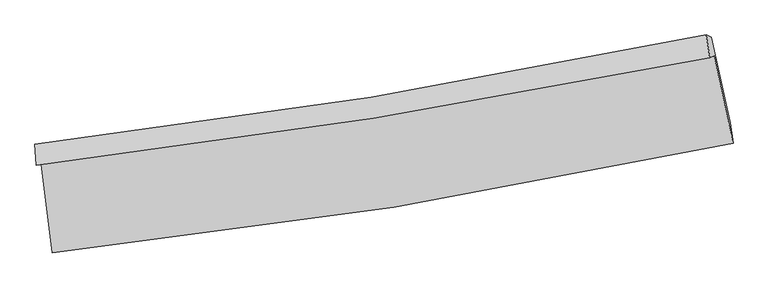
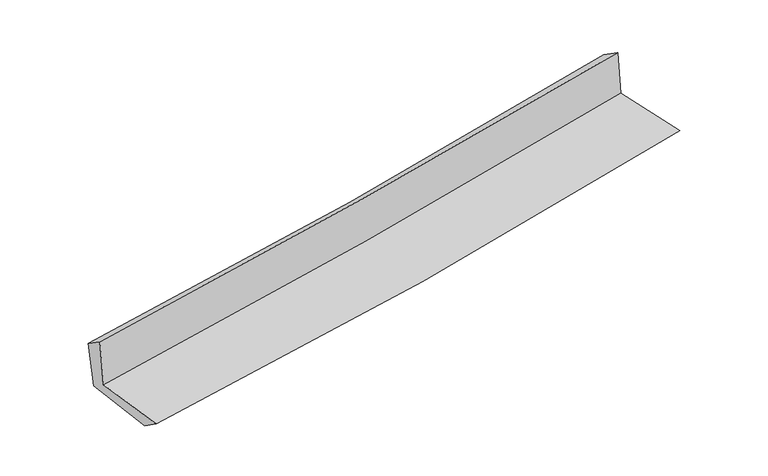
"""IFC4 building model written with IfcOpenShell, lengths in millimetres: proxy geometry."""

from ifc_helpers import new_model, si_unit, frame, origin, place, context, project, spatial, source, transform, mapped, element, save
from ifc_brep_helpers import plane_surface, spline_curve, spline_surface, advanced_brep


def generic_models_ca1ffe5c(model_context):
    return source(origin(), model_context, "Body", "AdvancedBrep", [
        advanced_brep(
        [(-2520.8800695, -1887.595224, 1644.0676046), (-2437.5306478, -2544.1043899, 1650.6400715), (2609.2420443, -1732.9257586, 2110.5587312), (2468.6463411, -1082.3278108, 2109.6407914), (-2556.7879174, -1894.8404754, 2060.8646758), (2436.3249511, -1098.2895109, 2507.6769787), (-2567.3537919, -1739.7126337, 1956.0131238), (2410.0480394, -929.2389983, 2393.3299864), (-2529.9095723, -1759.073659, 1560.3201878), (2447.8770248, -947.3500413, 2015.9887726), (-2447.7409838, -2388.9175709, 1541.6800982), (2586.4334647, -1582.2298997, 2001.7804535)],
        [
            (0, 1),
            (1, 2, spline_curve(3, [(-2437.5306478, -2544.1043899, 1650.6400715), (-1590.896804008, -2453.023977847, 1725.69398671), (-747.861782757, -2340.067247395, 1801.468243748), (934.425117853, -2069.852700902, 1954.768591613), (1773.647660658, -1912.41655429, 2032.300554626), (2609.2420443, -1732.9257586, 2110.5587312)], [4, 2, 4], [0.0, 8.358204911333248, 16.750407780570868])),
            (2, 3),
            (3, 0, spline_curve(3, [(2468.6463411, -1082.3278108, 2109.6407914), (1640.311595064, -1252.105157301, 2040.040537497), (809.501412117, -1404.199833835, 1966.355624432), (-853.694073872, -1672.479325203, 1811.13153411), (-1686.059361206, -1788.807119716, 1729.625385136), (-2520.8800695, -1887.595224, 1644.0676046)], [4, 2, 4], [0.0, 8.39220286923762, 16.750407780570868])),
            (4, 0),
            (3, 5),
            (5, 4, spline_curve(3, [(2436.3249511, -1098.2895109, 2507.6769787), (1606.737515705, -1263.478171677, 2441.004176726), (775.002173457, -1412.553839733, 2370.349778364), (-889.386150533, -1677.940540543, 2221.380149226), (-1722.021764457, -1794.381860646, 2143.097113362), (-2556.7879174, -1894.8404754, 2060.8646758)], [4, 2, 4], [0.0, 8.345270530408024, 16.656733232214407])),
            (6, 4),
            (5, 7),
            (7, 6, spline_curve(3, [(2410.0480394, -929.2389983, 2393.3299864), (1584.555411874, -1101.93034997, 2324.368402782), (756.177891111, -1255.914686505, 2253.36643822), (-902.979379349, -1525.921302424, 2107.577652677), (-1733.735802482, -1642.09484447, 2032.807329315), (-2567.3537919, -1739.7126337, 1956.0131238)], [4, 2, 4], [0.0, 8.334170706771031, 16.634578551839176])),
            (8, 6),
            (7, 9),
            (9, 8, spline_curve(3, [(2447.8770248, -947.3500413, 2015.9887726), (1622.280136796, -1120.232925535, 1944.576530971), (793.818397584, -1274.417422747, 1870.816200104), (-865.466966233, -1544.840769153, 1718.907685681), (-1696.267426056, -1661.230811635, 1640.778488064), (-2529.9095723, -1759.073659, 1560.3201878)], [4, 2, 4], [0.0, 8.324712879978483, 16.61570121319977])),
            (10, 8),
            (9, 11),
            (11, 10, spline_curve(3, [(2586.4334647, -1582.2298997, 2001.7804535), (1751.610876083, -1756.559445787, 1929.560905949), (913.827567399, -1911.044438125, 1855.02692632), (-764.254522321, -2179.779868104, 1701.64142727), (-1604.529362728, -2294.190766399, 1622.808621501), (-2447.7409838, -2388.9175709, 1541.6800982)], [4, 2, 4], [0.0, 8.371930236416425, 16.709944642127738])),
            (1, 10),
            (11, 2),
        ],
        [
            spline_surface(3, 3, [[(-2520.8800695, -1887.595224, 1644.0676046), (-1686.059361272, -1788.807119812, 1729.625385095), (-853.694073991, -1672.479325248, 1811.131534147), (809.501412237, -1404.19983379, 1966.355624394), (1640.311595178, -1252.105157293, 2040.040537625), (2468.6463411, -1082.3278108, 2109.6407914)], [(-2493.096928936, -2106.431612614, 1646.258426886), (-1654.338508891, -2010.212739103, 1728.314918981), (-818.416643607, -1895.008632606, 1807.91043735), (851.142647485, -1626.084122881, 1962.493280136), (1684.75695037, -1472.208956311, 2037.460543273), (2515.511575505, -1299.193793398, 2109.946771354)], [(-2465.313788364, -2325.268001286, 1648.449249214), (-1622.617656504, -2231.618358452, 1727.004452911), (-783.139213246, -2117.53793992, 1804.689340545), (892.78388271, -1847.968411928, 1958.630935871), (1729.202305547, -1692.312755336, 2034.880548858), (2562.376809895, -1516.059776002, 2110.252751246)], [(-2437.5306478, -2544.1043899, 1650.6400715), (-1590.896804123, -2453.023977744, 1725.693986797), (-747.861782862, -2340.067247279, 1801.468243748), (934.425117958, -2069.852701019, 1954.768591612), (1773.647660738, -1912.416554355, 2032.300554506), (2609.2420443, -1732.9257586, 2110.5587312)]], [4, 4], [4, 2, 4], [0.0, 2.2198741711192014], [0.0, 8.358204911333248, 16.750407780570868]),
            spline_surface(3, 3, [[(-2556.7879174, -1894.8404754, 2060.8646758), (-1722.02176432, -1794.381860644, 2143.097113393), (-889.386150451, -1677.940540507, 2221.380149332), (775.002173374, -1412.553839769, 2370.349778258), (1606.737515709, -1263.478171719, 2441.004176635), (2436.3249511, -1098.2895109, 2507.6769787)], [(-2544.818634766, -1892.425391616, 1921.932318728), (-1710.034296637, -1792.523613715, 2005.273203955), (-877.48879162, -1676.120135399, 2084.630610941), (786.501919673, -1409.769171088, 2235.685060308), (1617.928875539, -1259.687166912, 2307.349630293), (2447.098747774, -1092.968944202, 2374.998249594)], [(-2532.849352134, -1890.010307784, 1782.999961672), (-1698.046828955, -1790.66536674, 1867.449294533), (-865.591432822, -1674.299730356, 1947.881072537), (798.001665939, -1406.984502471, 2101.020342344), (1629.120235348, -1255.896162099, 2173.695083968), (2457.872544426, -1087.648377498, 2242.319520506)], [(-2520.8800695, -1887.595224, 1644.0676046), (-1686.059361272, -1788.807119812, 1729.625385095), (-853.694073991, -1672.479325248, 1811.131534147), (809.501412237, -1404.19983379, 1966.355624394), (1640.311595178, -1252.105157293, 2040.040537625), (2468.6463411, -1082.3278108, 2109.6407914)]], [4, 4], [4, 2, 4], [0.0, 1.3408035152400797], [0.0, 8.311462701806382, 16.656733232214407]),
            spline_surface(3, 3, [[(-2567.3537919, -1739.7126337, 1956.0131238), (-1733.735802441, -1642.094844499, 2032.807329434), (-902.979379437, -1525.921302541, 2107.57765256), (756.177891199, -1255.914686388, 2253.366438338), (1584.555411914, -1101.930349896, 2324.368402727), (2410.0480394, -929.2389983, 2393.3299864)], [(-2563.831833712, -1791.421914271, 1990.963641141), (-1729.831123045, -1692.857183219, 2069.570590762), (-898.448303119, -1576.594381873, 2145.511818136), (762.452651914, -1308.127737526, 2292.360884963), (1591.949446493, -1155.779623861, 2363.246994021), (2418.807009947, -985.58916919, 2431.445650491)], [(-2560.309875588, -1843.131194829, 2025.914158459), (-1725.926443715, -1743.619521924, 2106.333852065), (-893.917226769, -1627.267461174, 2183.445983756), (768.72741266, -1360.340788632, 2331.355331633), (1599.34348113, -1209.628897755, 2402.125585342), (2427.565980553, -1041.93934001, 2469.561314609)], [(-2556.7879174, -1894.8404754, 2060.8646758), (-1722.02176432, -1794.381860644, 2143.097113393), (-889.386150451, -1677.940540507, 2221.380149332), (775.002173374, -1412.553839769, 2370.349778258), (1606.737515709, -1263.478171719, 2441.004176635), (2436.3249511, -1098.2895109, 2507.6769787)]], [4, 4], [4, 2, 4], [0.0, 0.6344883386694012], [0.0, 8.300407845068145, 16.634578551839176]),
            spline_surface(3, 3, [[(-2529.9095723, -1759.073659, 1560.3201878), (-1696.267425982, -1661.230811511, 1640.778488167), (-865.466966241, -1544.840769287, 1718.907685586), (793.818397591, -1274.417422612, 1870.816200199), (1622.280136865, -1120.232925604, 1944.576531), (2447.8770248, -947.3500413, 2015.9887726)], [(-2542.390978834, -1752.619983881, 1692.217833146), (-1708.756884802, -1654.852155821, 1771.454768602), (-877.971103971, -1538.53428037, 1848.464341254), (781.271562128, -1268.249843869, 1998.332946255), (1609.705228563, -1114.132067008, 2071.173821575), (2435.267363014, -941.31302694, 2141.769177199)], [(-2554.872385366, -1746.166308819, 1824.115478454), (-1721.246343621, -1648.473500189, 1902.131048999), (-890.475241706, -1532.227791458, 1978.020996892), (768.724726662, -1262.082265131, 2125.849692282), (1597.130320217, -1108.031208492, 2197.771112152), (2422.657701186, -935.27601266, 2267.549581801)], [(-2567.3537919, -1739.7126337, 1956.0131238), (-1733.735802441, -1642.094844499, 2032.807329434), (-902.979379437, -1525.921302541, 2107.57765256), (756.177891199, -1255.914686388, 2253.366438338), (1584.555411914, -1101.930349896, 2324.368402727), (2410.0480394, -929.2389983, 2393.3299864)]], [4, 4], [4, 2, 4], [0.0, 1.2725584929679277], [0.0, 8.290988333221287, 16.61570121319977]),
            spline_surface(3, 3, [[(-2447.7409838, -2388.9175709, 1541.6800982), (-1604.529362861, -2294.190766262, 1622.808621503), (-764.254522192, -2179.779868166, 1701.641427148), (913.82756727, -1911.044438062, 1855.026926443), (1751.610876121, -1756.559445772, 1929.560905856), (2586.4334647, -1582.2298997, 2001.7804535)], [(-2475.130513321, -2178.969600267, 1547.893461396), (-1635.108717255, -2083.204114678, 1628.798577054), (-797.992003549, -1968.133501887, 1707.396846637), (873.824510704, -1698.835432926, 1860.290017704), (1708.500629701, -1544.450605722, 1934.566114236), (2540.247984732, -1370.603280239, 2006.516559865)], [(-2502.520042779, -1969.021629633, 1554.106824604), (-1665.688071588, -1872.217463094, 1634.788532616), (-831.729484884, -1756.487135566, 1713.152266098), (833.821454157, -1486.626427748, 1865.553108938), (1665.390383286, -1332.341765654, 1939.57132262), (2494.062504768, -1158.976660761, 2011.252666235)], [(-2529.9095723, -1759.073659, 1560.3201878), (-1696.267425982, -1661.230811511, 1640.778488167), (-865.466966241, -1544.840769287, 1718.907685586), (793.818397591, -1274.417422612, 1870.816200199), (1622.280136865, -1120.232925604, 1944.576531), (2447.8770248, -947.3500413, 2015.9887726)]], [4, 4], [4, 2, 4], [0.0, 2.117961164518076], [0.0, 8.338014405711313, 16.709944642127738]),
            spline_surface(3, 3, [[(-2437.5306478, -2544.1043899, 1650.6400715), (-1590.896804123, -2453.023977744, 1725.693986797), (-747.861782862, -2340.067247279, 1801.468243748), (934.425117958, -2069.852701019, 1954.768591612), (1773.647660738, -1912.416554355, 2032.300554506), (2609.2420443, -1732.9257586, 2110.5587312)], [(-2440.934093132, -2492.375450252, 1614.320080403), (-1595.440990368, -2400.079573935, 1691.398865035), (-753.326029307, -2286.638120892, 1768.192638204), (927.559267727, -2016.91661335, 1921.521369878), (1766.302065861, -1860.464184824, 1998.054004952), (2601.639184429, -1682.693805631, 2074.299305296)], [(-2444.337538468, -2440.646510548, 1578.000089297), (-1599.985176616, -2347.135170071, 1657.103743265), (-758.790275747, -2233.208994553, 1734.917032692), (920.693417502, -1963.980525731, 1888.274148177), (1758.956470998, -1808.511815302, 1963.80745541), (2594.036324571, -1632.461852669, 2038.039879404)], [(-2447.7409838, -2388.9175709, 1541.6800982), (-1604.529362861, -2294.190766262, 1622.808621503), (-764.254522192, -2179.779868166, 1701.641427148), (913.82756727, -1911.044438062, 1855.026926443), (1751.610876121, -1756.559445772, 1929.560905856), (2586.4334647, -1582.2298997, 2001.7804535)]], [4, 4], [4, 2, 4], [0.0, 0.6203633105958698], [0.0, 8.394202084863515, 16.822548550266806]),
            plane_surface(frame((2493.0953109, -1228.7270033, 2189.8292857), z_axis=(0.9736621990976947, 0.21053409003982446, 0.08750610824019373), x_axis=(-0.09963782721183749, 0.04770270637673546, 0.9938796482436085))),
            plane_surface(frame((-2510.0338304, -2035.7073255, 1735.5976269), z_axis=(-0.9881375206288091, -0.126326701132437, -0.08732585474271673), x_axis=(-0.1259413106802152, 0.9919879843175963, -0.00993102379727339))),
        ],
        [
            (0, [[1, 2, 3, 4]]),
            (1, [[5, -4, 6, 7]]),
            (2, [[8, -7, 9, 10]]),
            (3, [[11, -10, 12, 13]]),
            (4, [[14, -13, 15, 16]]),
            (5, [[17, -16, 18, -2]]),
            (6, [[-12, -9, -6, -3, -18, -15]]),
            (7, [[-1, -5, -8, -11, -14, -17]]),
        ],
    ),
    ])


if __name__ == "__main__":
    model = new_model("IFC4")
    model_context = context("Model", 3, world=origin())
    ifc_project = project(units=[si_unit("LENGTHUNIT", "METRE", prefix="MILLI")], contexts=[model_context])
    site = spatial("IfcSite", under=ifc_project)
    building = spatial("IfcBuilding", under=site)
    placement = place(None, origin())
    generic_models_shape = generic_models_ca1ffe5c(model_context)
    element("IfcBuildingElementProxy", 1, Name="Generic Models", at=placement, inside=building, context=model_context, shape_type="MappedRepresentation", body=[
        mapped(generic_models_shape, transform((0.0, 0.0, 0.0), x_axis=(1.0, 0.0, 0.0), y_axis=(0.0, 1.0, 0.0), z_axis=(0.0, 0.0, 1.0))),
    ])
    save(model, "model.ifc")
